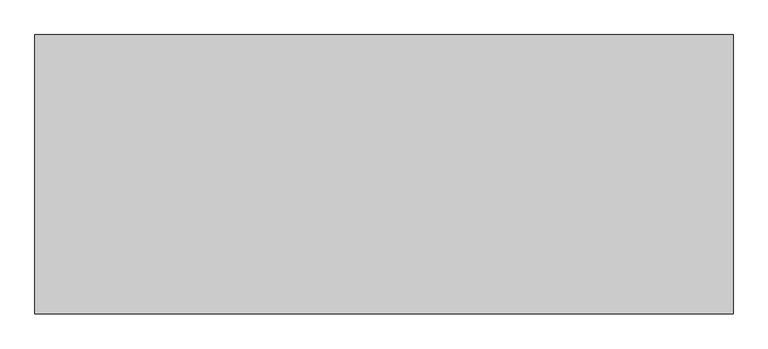
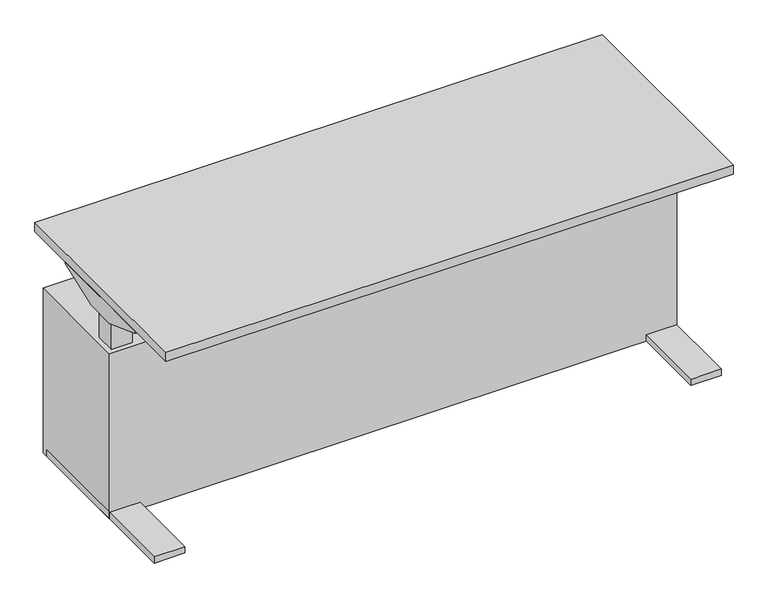
"""IFC4 building model written with IfcOpenShell, lengths in millimetres: furniture geometry."""

from ifc_helpers import new_model, si_unit, frame, origin, origin_with_axes, place, context, project, spatial, polyline, outline, extrude, source, transform, mapped, element, save


def furniture_232bfe56(model_context):
    return source(origin(), model_context, "Body", "SweptSolid", [
        extrude(outline(polyline([(-889.0, 292.1), (-792.4601562, 292.1), (-792.4601562, -292.1), (-889.0, -292.1), (-889.0, 292.1)])), origin_with_axes(), (0.0, 0.0, 1.0), 20.6375),
        extrude(outline(polyline([(49.3599854, 648.1304493), (-49.3599854, 648.1304493), (-190.5, 700.0875), (-190.5, 706.4375), (190.5, 706.4375), (190.5, 700.0875), (49.3599854, 648.1304493)])), frame((-889.0, 0.0, 0.0), z_axis=(1.0, 0.0, 0.0), x_axis=(0.0, 1.0, 0.0)), (0.0, 0.0, 1.0), 25.4),
        extrude(outline(polyline([(-863.6, 29.21), (-811.5597656, 29.21), (-811.5597656, -29.21), (-863.6, -29.21), (-863.6, 29.21)])), frame((0.0, 0.0, 642.9375), z_axis=(0.0, 0.0, 1.0), x_axis=(1.0, 0.0, 0.0)), (0.0, 0.0, 1.0), 63.5),
        extrude(outline(polyline([(-873.7699219, 33.02), (-807.6902344, 33.02), (-807.6902344, -33.02), (-873.7699219, -33.02), (-873.7699219, 33.02)])), frame((0.0, 0.0, 20.6375), z_axis=(0.0, 0.0, 1.0), x_axis=(1.0, 0.0, 0.0)), (0.0, 0.0, 1.0), 622.3),
        extrude(outline(polyline([(889.0, 292.1), (889.0, -292.1), (792.4601563, -292.1), (792.4601563, 292.1), (889.0, 292.1)])), origin_with_axes(), (0.0, 0.0, 1.0), 20.6375),
        extrude(outline(polyline([(49.3599854, 648.1304493), (-49.3599854, 648.1304493), (-190.5, 700.0875), (-190.5, 706.4375), (190.5, 706.4375), (190.5, 700.0875), (49.3599854, 648.1304493)])), frame((863.6, 0.0, 0.0), z_axis=(1.0, 0.0, 0.0), x_axis=(0.0, 1.0, 0.0)), (0.0, 0.0, 1.0), 25.4),
        extrude(outline(polyline([(863.6, 29.21), (863.6, -29.21), (811.5597656, -29.21), (811.5597656, 29.21), (863.6, 29.21)])), frame((0.0, 0.0, 642.9375), z_axis=(0.0, 0.0, 1.0), x_axis=(1.0, 0.0, 0.0)), (0.0, 0.0, 1.0), 63.5),
        extrude(outline(polyline([(873.7699219, 33.02), (873.7699219, -33.02), (807.6902344, -33.02), (807.6902344, 33.02), (873.7699219, 33.02)])), frame((0.0, 0.0, 20.6375), z_axis=(0.0, 0.0, 1.0), x_axis=(1.0, 0.0, 0.0)), (0.0, 0.0, 1.0), 622.3),
        extrude(outline(polyline([(889.0, 355.6), (889.0, -355.6), (-889.0, -355.6), (-889.0, 355.6), (889.0, 355.6)])), frame((0.0, 0.0, 706.4375), z_axis=(0.0, 0.0, 1.0), x_axis=(1.0, 0.0, 0.0)), (0.0, 0.0, 1.0), 30.1625),
        extrude(outline(polyline([(889.0, 311.15), (889.0, -49.3599854), (-889.0, -49.3599854), (-889.0, 311.15), (889.0, 311.15)])), origin_with_axes(), (0.0, 0.0, 1.0), 546.1),
    ])


if __name__ == "__main__":
    model = new_model("IFC4")
    model_context = context("Model", 3, world=origin())
    ifc_project = project(units=[si_unit("LENGTHUNIT", "METRE", prefix="MILLI")], contexts=[model_context])
    site = spatial("IfcSite", under=ifc_project)
    building = spatial("IfcBuilding", under=site)
    placement = place(None, origin())
    furniture_shape = furniture_232bfe56(model_context)
    element("IfcFurniture", 1, at=placement, inside=building, context=model_context, shape_type="MappedRepresentation", body=[
        mapped(furniture_shape, transform((0.0, 0.0, 0.0), x_axis=(1.0, 0.0, 0.0), y_axis=(0.0, 1.0, 0.0), z_axis=(0.0, 0.0, 1.0))),
    ])
    save(model, "model.ifc")
